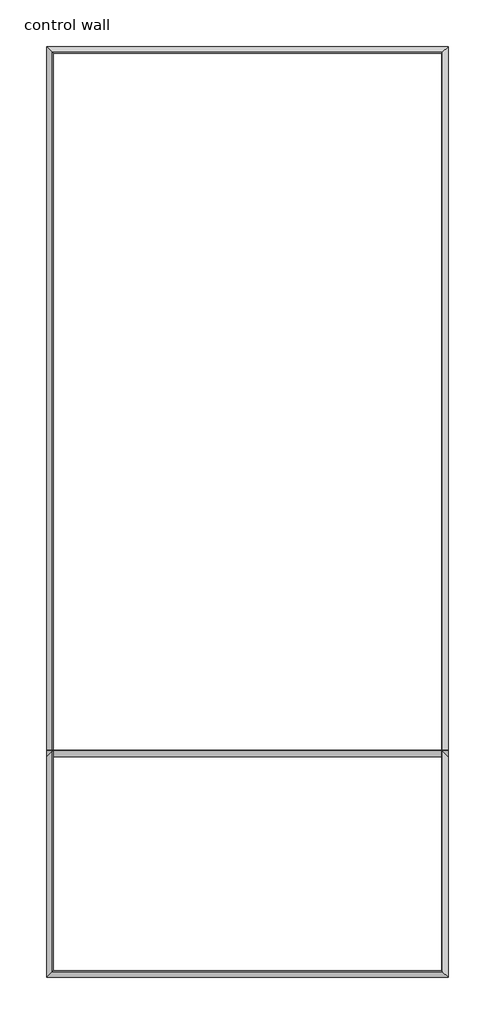
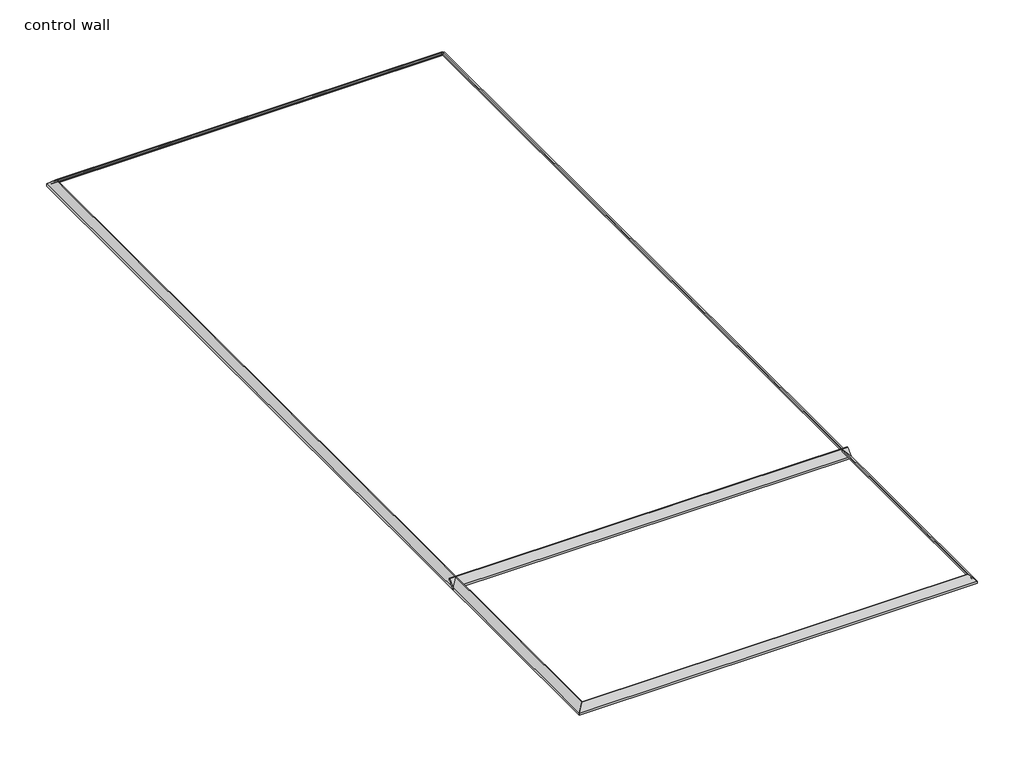
# One storey: 5 proxies.
"""IFC4 building model written with IfcOpenShell, lengths in millimetres."""

from ifc_helpers import new_model, si_unit, point, frame, frame_2d, origin, place, context, project, spatial, polyline, circle_curve, ellipse_curve, trimmed, segment, composite_curve, outline, extrude, element, save
from ifc_brep_helpers import plane_surface, cylinder_surface, revolved_surface, advanced_brep

model = new_model("IFC4")

# Units and contexts
model_context = context("Model", 3, world=origin())
ifc_project = project(units=[si_unit("LENGTHUNIT", "METRE", prefix="MILLI")], contexts=[model_context])

# Site, building, storey
site = spatial("IfcSite", under=ifc_project)
building = spatial("IfcBuilding", under=site)
storey = spatial("IfcBuildingStorey", under=building, Name="control wall", Elevation=2133.6)

# Proxies
placement = place(None, origin())
element("IfcBuildingElementProxy", 1, Name="Wall Sweeps", at=placement, inside=storey, context=model_context, shape_type="AdvancedBrep", body=[
    advanced_brep(
    [(18970.8609174, -9431.1907094, 2982.9793892), (19035.8815283, -9496.2113202, 3048.0), (19043.9842262, -9504.3140182, 3048.0), (19043.9842262, -9504.3140182, 3028.95), (19034.3609174, -9494.6907094, 3028.95), (19013.8362376, -9474.1660296, 3008.4253202), (18993.3115577, -9453.6413497, 2987.9006403), (18993.3115577, -9453.6413497, 2981.5506403), (18979.8411736, -9440.1709655, 2968.0802561), (18979.8411736, -9440.1709655, 2959.1), (18970.8609174, -9431.1907094, 2959.1), (18970.8609174, -19616.2465911, 2982.9793892), (18970.8609174, -19616.2465911, 2959.1), (18979.8411736, -19607.266335, 2959.1), (18979.8411736, -19607.266335, 2968.0802561), (18993.3115577, -19593.7959508, 2981.5506403), (18993.3115577, -19593.7959508, 2987.9006403), (19013.8362376, -19573.271271, 3008.4253202), (19034.3609174, -19552.7465911, 3028.95), (19043.9842262, -19543.1232823, 3028.95), (19043.9842262, -19543.1232823, 3048.0), (19035.8815283, -19551.2259803, 3048.0)],
    [
        (0, 1),
        (1, 2),
        (2, 3),
        (3, 4),
        (4, 5, ellipse_curve(frame((19034.3609174, -9494.6907094, 3008.4253202), z_axis=(-0.7071067811865493, -0.7071067811865458, 0.0), x_axis=(0.7071067811865459, -0.7071067811865492, 0.0)), 29.0262806, 20.5246798)),
        (5, 6, ellipse_curve(frame((18993.3115577, -9453.6413497, 3008.4253202), z_axis=(0.7071067811865493, 0.7071067811865458, 0.0), x_axis=(-0.7071067811865459, 0.7071067811865492, 0.0)), 29.0262806, 20.5246798)),
        (6, 7),
        (7, 8, ellipse_curve(frame((18993.3115577, -9453.6413497, 2968.0802561), z_axis=(-0.7071067811865493, -0.7071067811865458, 0.0), x_axis=(0.7071067811865459, -0.7071067811865492, 0.0)), 19.05, 13.4703842)),
        (8, 9),
        (9, 10),
        (10, 0),
        (11, 12),
        (12, 13),
        (13, 14),
        (14, 15, ellipse_curve(frame((18993.3115577, -19593.7959508, 2968.0802561), z_axis=(-0.7071067811865476, 0.7071067811865476, 0.0), x_axis=(-0.7071067811865477, -0.7071067811865474, 0.0)), 19.05, 13.4703842)),
        (15, 16),
        (16, 17, ellipse_curve(frame((18993.3115577, -19593.7959508, 3008.4253202), z_axis=(0.7071067811865476, -0.7071067811865476, 0.0), x_axis=(0.7071067811865477, 0.7071067811865474, 0.0)), 29.0262806, 20.5246798)),
        (17, 18, ellipse_curve(frame((19034.3609174, -19552.7465911, 3008.4253202), z_axis=(-0.7071067811865476, 0.7071067811865476, 0.0), x_axis=(-0.7071067811865477, -0.7071067811865474, 0.0)), 29.0262806, 20.5246798)),
        (18, 19),
        (19, 20),
        (20, 21),
        (21, 11),
        (0, 11),
        (21, 1),
        (20, 2),
        (19, 3),
        (18, 4),
        (17, 5),
        (16, 6),
        (15, 7),
        (14, 8),
        (13, 9),
        (12, 10),
    ],
    [
        plane_surface(frame((18970.8609174, -9431.1907094, 2654.3), z_axis=(0.7071067811865493, 0.7071067811865458, 0.0), x_axis=(0.7071067811865458, -0.7071067811865493, 0.0))),
        plane_surface(frame((18970.8609174, -19616.2465911, 2654.3), z_axis=(0.7071067811865476, -0.7071067811865476, 0.0), x_axis=(0.7071067811865476, 0.7071067811865476, 0.0))),
        plane_surface(frame((18970.8609174, -9431.1907094, 2982.9793892), z_axis=(-0.707106781186547, 0.0, 0.707106781186548), x_axis=(0.0, -1.0, 0.0))),
        plane_surface(frame((19035.8815283, -9496.2113202, 3048.0), z_axis=(0.0, 0.0, 1.0), x_axis=(0.0, -1.0, 0.0))),
        plane_surface(frame((19043.9842262, -9504.3140182, 3048.0), z_axis=(1.0, 0.0, 0.0), x_axis=(0.0, -1.0, 0.0))),
        plane_surface(frame((19043.9842262, -9504.3140182, 3028.95), z_axis=(0.0, 0.0, -1.0), x_axis=(0.0, -1.0, 0.0))),
        revolved_surface(polyline([(19054.885597200002, -19573.271271, 3008.4253202), (19054.885597200002, -9474.166029555116, 3008.4253202)]), (19034.3609174, -9431.1907094, 3008.4253202), (0.0, -1.0, 0.0)),
        cylinder_surface(frame((18993.3115577, -9431.1907094, 3008.4253202), z_axis=(0.0, 1.0, 0.0), x_axis=(1.0, 0.0, 0.0)), 20.5246798),
        plane_surface(frame((18993.3115577, -9453.6413497, 2987.9006403), z_axis=(1.0, 0.0, 0.0), x_axis=(0.0, -1.0, 0.0))),
        revolved_surface(polyline([(19006.7819419, -19607.266335, 2968.0802561), (19006.7819419, -9440.1709655, 2968.0802561)]), (18993.3115577, -9431.1907094, 2968.0802561), (0.0, -1.0, 0.0)),
        plane_surface(frame((18979.8411736, -9440.1709655, 2968.0802561), z_axis=(1.0, 0.0, 0.0), x_axis=(0.0, -1.0, 0.0))),
        plane_surface(frame((18979.8411736, -9440.1709655, 2959.1), z_axis=(0.0, 0.0, -1.0), x_axis=(0.0, -1.0, 0.0))),
        plane_surface(frame((18970.8609174, -9431.1907094, 2959.1), z_axis=(-1.0, 0.0, 0.0), x_axis=(0.0, -1.0, 0.0))),
    ],
    [
        (0, [[1, 2, 3, 4, 5, 6, 7, 8, 9, 10, 11]]),
        (1, [[12, 13, 14, 15, 16, 17, 18, 19, 20, 21, 22]]),
        (2, [[-1, 23, -22, 24]]),
        (3, [[-2, -24, -21, 25]]),
        (4, [[-3, -25, -20, 26]]),
        (5, [[-4, -26, -19, 27]]),
        (6, [[-5, -27, -18, 28]]),
        (7, [[-6, -28, -17, 29]]),
        (8, [[-7, -29, -16, 30]]),
        (9, [[-8, -30, -15, 31]]),
        (10, [[-9, -31, -14, 32]]),
        (11, [[-10, -32, -13, 33]]),
        (12, [[-11, -33, -12, -23]]),
    ],
),
])
element("IfcBuildingElementProxy", 2, Name="Wall Sweeps", at=placement, inside=storey, context=model_context, shape_type="AdvancedBrep", body=[
    advanced_brep(
    [(23365.2169679, -9431.1907094, 2982.9793892), (23300.1963571, -9496.2113202, 3048.0), (23292.0936591, -9504.3140182, 3048.0), (23292.0936591, -9504.3140182, 3028.95), (23301.7169679, -9494.6907094, 3028.95), (23322.2416478, -9474.1660296, 3008.4253202), (23342.7663276, -9453.6413497, 2987.9006403), (23342.7663276, -9453.6413497, 2981.5506403), (23356.2367118, -9440.1709655, 2968.0802561), (23356.2367118, -9440.1709655, 2959.1), (23365.2169679, -9431.1907094, 2959.1), (18970.8609174, -9431.1907094, 2982.9793892), (18970.8609174, -9431.1907094, 2959.1), (18979.8411736, -9440.1709655, 2959.1), (18979.8411736, -9440.1709655, 2968.0802561), (18993.3115577, -9453.6413497, 2981.5506403), (18993.3115577, -9453.6413497, 2987.9006403), (19013.8362376, -9474.1660296, 3008.4253202), (19034.3609174, -9494.6907094, 3028.95), (19043.9842262, -9504.3140182, 3028.95), (19043.9842262, -9504.3140182, 3048.0), (19035.8815283, -9496.2113202, 3048.0)],
    [
        (0, 1),
        (1, 2),
        (2, 3),
        (3, 4),
        (4, 5, ellipse_curve(frame((23301.7169679, -9494.6907094, 3008.4253202), z_axis=(-0.707106781186544, 0.7071067811865511, 0.0), x_axis=(-0.707106781186551, -0.707106781186544, 0.0)), 29.0262806, 20.5246798)),
        (5, 6, ellipse_curve(frame((23342.7663276, -9453.6413497, 3008.4253202), z_axis=(0.707106781186544, -0.7071067811865511, 0.0), x_axis=(0.707106781186551, 0.707106781186544, 0.0)), 29.0262806, 20.5246798)),
        (6, 7),
        (7, 8, ellipse_curve(frame((23342.7663276, -9453.6413497, 2968.0802561), z_axis=(-0.707106781186544, 0.7071067811865511, 0.0), x_axis=(-0.707106781186551, -0.707106781186544, 0.0)), 19.05, 13.4703842)),
        (8, 9),
        (9, 10),
        (10, 0),
        (11, 12),
        (12, 13),
        (13, 14),
        (14, 15, ellipse_curve(frame((18993.3115577, -9453.6413497, 2968.0802561), z_axis=(0.7071067811865493, 0.7071067811865458, 0.0), x_axis=(-0.7071067811865456, 0.7071067811865493, 0.0)), 19.05, 13.4703842)),
        (15, 16),
        (16, 17, ellipse_curve(frame((18993.3115577, -9453.6413497, 3008.4253202), z_axis=(-0.7071067811865493, -0.7071067811865458, 0.0), x_axis=(0.7071067811865456, -0.7071067811865493, 0.0)), 29.0262806, 20.5246798)),
        (17, 18, ellipse_curve(frame((19034.3609174, -9494.6907094, 3008.4253202), z_axis=(0.7071067811865493, 0.7071067811865458, 0.0), x_axis=(-0.7071067811865456, 0.7071067811865493, 0.0)), 29.0262806, 20.5246798)),
        (18, 19),
        (19, 20),
        (20, 21),
        (21, 11),
        (0, 11),
        (21, 1),
        (20, 2),
        (19, 3),
        (18, 4),
        (17, 5),
        (16, 6),
        (15, 7),
        (14, 8),
        (13, 9),
        (12, 10),
    ],
    [
        plane_surface(frame((23365.2169679, -9431.1907094, 2654.3), z_axis=(0.707106781186544, -0.7071067811865511, 0.0), x_axis=(-0.7071067811865511, -0.707106781186544, 0.0))),
        plane_surface(frame((18970.8609174, -9431.1907094, 2654.3), z_axis=(-0.7071067811865493, -0.7071067811865458, 0.0), x_axis=(0.7071067811865458, -0.7071067811865493, 0.0))),
        plane_surface(frame((23365.2169679, -9431.1907094, 2982.9793892), z_axis=(0.0, 0.707106781186547, 0.707106781186548), x_axis=(-1.0, 0.0, 0.0))),
        plane_surface(frame((23300.1963571, -9496.2113202, 3048.0), z_axis=(0.0, 0.0, 1.0), x_axis=(-1.0, 0.0, 0.0))),
        plane_surface(frame((23292.0936591, -9504.3140182, 3048.0), z_axis=(0.0, -1.0, 0.0), x_axis=(-1.0, 0.0, 0.0))),
        plane_surface(frame((23292.0936591, -9504.3140182, 3028.95), z_axis=(0.0, 0.0, -1.0), x_axis=(-1.0, 0.0, 0.0))),
        revolved_surface(polyline([(19013.83623755512, -9515.2153892, 3008.4253202), (23322.2416478, -9515.2153892, 3008.4253202)]), (23365.2169679, -9494.6907094, 3008.4253202), (-1.0, 0.0, 0.0)),
        cylinder_surface(frame((23365.2169679, -9453.6413497, 3008.4253202), z_axis=(1.0, 0.0, 0.0), x_axis=(0.0, -1.0, 0.0)), 20.5246798),
        plane_surface(frame((23342.7663276, -9453.6413497, 2987.9006403), z_axis=(0.0, -1.0, 0.0), x_axis=(-1.0, 0.0, 0.0))),
        revolved_surface(polyline([(18979.841173518394, -9467.1117339, 2968.0802561), (23356.2367118, -9467.1117339, 2968.0802561)]), (23365.2169679, -9453.6413497, 2968.0802561), (-1.0, 0.0, 0.0)),
        plane_surface(frame((23356.2367118, -9440.1709655, 2968.0802561), z_axis=(0.0, -1.0, 0.0), x_axis=(-1.0, 0.0, 0.0))),
        plane_surface(frame((23356.2367118, -9440.1709655, 2959.1), z_axis=(0.0, 0.0, -1.0), x_axis=(-1.0, 0.0, 0.0))),
        plane_surface(frame((23365.2169679, -9431.1907094, 2959.1), z_axis=(0.0, 1.0, 0.0), x_axis=(-1.0, 0.0, 0.0))),
    ],
    [
        (0, [[1, 2, 3, 4, 5, 6, 7, 8, 9, 10, 11]]),
        (1, [[12, 13, 14, 15, 16, 17, 18, 19, 20, 21, 22]]),
        (2, [[-1, 23, -22, 24]]),
        (3, [[-2, -24, -21, 25]]),
        (4, [[-3, -25, -20, 26]]),
        (5, [[-4, -26, -19, 27]]),
        (6, [[-5, -27, -18, 28]]),
        (7, [[-6, -28, -17, 29]]),
        (8, [[-7, -29, -16, 30]]),
        (9, [[-8, -30, -15, 31]]),
        (10, [[-9, -31, -14, 32]]),
        (11, [[-10, -32, -13, 33]]),
        (12, [[-11, -33, -12, -23]]),
    ],
),
])
element("IfcBuildingElementProxy", 3, Name="Wall Sweeps", at=placement, inside=storey, context=model_context, shape_type="AdvancedBrep", body=[
    advanced_brep(
    [(23365.2169679, -19616.2465911, 2982.9793892), (23300.1963571, -19551.2259803, 3048.0), (23292.0936591, -19543.1232823, 3048.0), (23292.0936591, -19543.1232823, 3028.95), (23301.7169679, -19552.7465911, 3028.95), (23322.2416478, -19573.271271, 3008.4253202), (23342.7663276, -19593.7959508, 2987.9006403), (23342.7663276, -19593.7959508, 2981.5506403), (23356.2367118, -19607.266335, 2968.0802561), (23356.2367118, -19607.266335, 2959.1), (23365.2169679, -19616.2465911, 2959.1), (23365.2169679, -9431.1907094, 2982.9793892), (23365.2169679, -9431.1907094, 2959.1), (23356.2367118, -9440.1709655, 2959.1), (23356.2367118, -9440.1709655, 2968.0802561), (23342.7663276, -9453.6413497, 2981.5506403), (23342.7663276, -9453.6413497, 2987.9006403), (23322.2416478, -9474.1660296, 3008.4253202), (23301.7169679, -9494.6907094, 3028.95), (23292.0936591, -9504.3140182, 3028.95), (23292.0936591, -9504.3140182, 3048.0), (23300.1963571, -9496.2113202, 3048.0)],
    [
        (0, 1),
        (1, 2),
        (2, 3),
        (3, 4),
        (4, 5, ellipse_curve(frame((23301.7169679, -19552.7465911, 3008.4253202), z_axis=(0.707106781186544, 0.7071067811865511, 0.0), x_axis=(-0.7071067811865511, 0.7071067811865438, 0.0)), 29.0262806, 20.5246798)),
        (5, 6, ellipse_curve(frame((23342.7663276, -19593.7959508, 3008.4253202), z_axis=(-0.707106781186544, -0.7071067811865511, 0.0), x_axis=(0.7071067811865511, -0.7071067811865438, 0.0)), 29.0262806, 20.5246798)),
        (6, 7),
        (7, 8, ellipse_curve(frame((23342.7663276, -19593.7959508, 2968.0802561), z_axis=(0.707106781186544, 0.7071067811865511, 0.0), x_axis=(-0.7071067811865511, 0.7071067811865438, 0.0)), 19.05, 13.4703842)),
        (8, 9),
        (9, 10),
        (10, 0),
        (11, 12),
        (12, 13),
        (13, 14),
        (14, 15, ellipse_curve(frame((23342.7663276, -9453.6413497, 2968.0802561), z_axis=(0.707106781186544, -0.7071067811865511, 0.0), x_axis=(0.7071067811865512, 0.7071067811865438, 0.0)), 19.05, 13.4703842)),
        (15, 16),
        (16, 17, ellipse_curve(frame((23342.7663276, -9453.6413497, 3008.4253202), z_axis=(-0.707106781186544, 0.7071067811865511, 0.0), x_axis=(-0.7071067811865512, -0.7071067811865438, 0.0)), 29.0262806, 20.5246798)),
        (17, 18, ellipse_curve(frame((23301.7169679, -9494.6907094, 3008.4253202), z_axis=(0.707106781186544, -0.7071067811865511, 0.0), x_axis=(0.7071067811865512, 0.7071067811865438, 0.0)), 29.0262806, 20.5246798)),
        (18, 19),
        (19, 20),
        (20, 21),
        (21, 11),
        (0, 11),
        (21, 1),
        (20, 2),
        (19, 3),
        (18, 4),
        (17, 5),
        (16, 6),
        (15, 7),
        (14, 8),
        (13, 9),
        (12, 10),
    ],
    [
        plane_surface(frame((23365.2169679, -19616.2465911, 2654.3), z_axis=(-0.707106781186544, -0.7071067811865511, 0.0), x_axis=(-0.7071067811865511, 0.707106781186544, 0.0))),
        plane_surface(frame((23365.2169679, -9431.1907094, 2654.3), z_axis=(-0.707106781186544, 0.7071067811865511, 0.0), x_axis=(-0.7071067811865511, -0.707106781186544, 0.0))),
        plane_surface(frame((23365.2169679, -19616.2465911, 2982.9793892), z_axis=(0.707106781186547, 0.0, 0.707106781186548), x_axis=(0.0, 1.0, 0.0))),
        plane_surface(frame((23300.1963571, -19551.2259803, 3048.0), z_axis=(0.0, 0.0, 1.0), x_axis=(0.0, 1.0, 0.0))),
        plane_surface(frame((23292.0936591, -19543.1232823, 3048.0), z_axis=(-1.0, 0.0, 0.0), x_axis=(0.0, 1.0, 0.0))),
        plane_surface(frame((23292.0936591, -19543.1232823, 3028.95), z_axis=(0.0, 0.0, -1.0), x_axis=(0.0, 1.0, 0.0))),
        revolved_surface(polyline([(23281.1922881, -9474.166029555116, 3008.4253202), (23281.1922881, -19573.271271, 3008.4253202)]), (23301.7169679, -19616.2465911, 3008.4253202), (0.0, 1.0, 0.0)),
        cylinder_surface(frame((23342.7663276, -19616.2465911, 3008.4253202), z_axis=(0.0, -1.0, 0.0), x_axis=(-1.0, 0.0, 0.0)), 20.5246798),
        plane_surface(frame((23342.7663276, -19593.7959508, 2987.9006403), z_axis=(-1.0, 0.0, 0.0), x_axis=(0.0, 1.0, 0.0))),
        revolved_surface(polyline([(23329.295943399997, -9440.1709655, 2968.0802561), (23329.295943399997, -19607.266335, 2968.0802561)]), (23342.7663276, -19616.2465911, 2968.0802561), (0.0, 1.0, 0.0)),
        plane_surface(frame((23356.2367118, -19607.266335, 2968.0802561), z_axis=(-1.0, 0.0, 0.0), x_axis=(0.0, 1.0, 0.0))),
        plane_surface(frame((23356.2367118, -19607.266335, 2959.1), z_axis=(0.0, 0.0, -1.0), x_axis=(0.0, 1.0, 0.0))),
        plane_surface(frame((23365.2169679, -19616.2465911, 2959.1), z_axis=(1.0, 0.0, 0.0), x_axis=(0.0, 1.0, 0.0))),
    ],
    [
        (0, [[1, 2, 3, 4, 5, 6, 7, 8, 9, 10, 11]]),
        (1, [[12, 13, 14, 15, 16, 17, 18, 19, 20, 21, 22]]),
        (2, [[-1, 23, -22, 24]]),
        (3, [[-2, -24, -21, 25]]),
        (4, [[-3, -25, -20, 26]]),
        (5, [[-4, -26, -19, 27]]),
        (6, [[-5, -27, -18, 28]]),
        (7, [[-6, -28, -17, 29]]),
        (8, [[-7, -29, -16, 30]]),
        (9, [[-8, -30, -15, 31]]),
        (10, [[-9, -31, -14, 32]]),
        (11, [[-10, -32, -13, 33]]),
        (12, [[-11, -33, -12, -23]]),
    ],
),
])
element("IfcBuildingElementProxy", 4, Name="Wall Sweeps", at=placement, inside=storey, context=model_context, shape_type="AdvancedBrep", body=[
    advanced_brep(
    [(18970.8609174, -19616.2465911, 2982.9793892), (19035.8815283, -19551.2259803, 3048.0), (19043.9842262, -19543.1232823, 3048.0), (19043.9842262, -19543.1232823, 3028.95), (19034.3609174, -19552.7465911, 3028.95), (19013.8362376, -19573.271271, 3008.4253202), (18993.3115577, -19593.7959508, 2987.9006403), (18993.3115577, -19593.7959508, 2981.5506403), (18979.8411736, -19607.266335, 2968.0802561), (18979.8411736, -19607.266335, 2959.1), (18970.8609174, -19616.2465911, 2959.1), (23365.2169679, -19616.2465911, 2982.9793892), (23365.2169679, -19616.2465911, 2959.1), (23356.2367118, -19607.266335, 2959.1), (23356.2367118, -19607.266335, 2968.0802561), (23342.7663276, -19593.7959508, 2981.5506403), (23342.7663276, -19593.7959508, 2987.9006403), (23322.2416478, -19573.271271, 3008.4253202), (23301.7169679, -19552.7465911, 3028.95), (23292.0936591, -19543.1232823, 3028.95), (23292.0936591, -19543.1232823, 3048.0), (23300.1963571, -19551.2259803, 3048.0)],
    [
        (0, 1),
        (1, 2),
        (2, 3),
        (3, 4),
        (4, 5, ellipse_curve(frame((19034.3609174, -19552.7465911, 3008.4253202), z_axis=(0.7071067811865476, -0.7071067811865476, 0.0), x_axis=(0.7071067811865475, 0.7071067811865477, 0.0)), 29.0262806, 20.5246798)),
        (5, 6, ellipse_curve(frame((18993.3115577, -19593.7959508, 3008.4253202), z_axis=(-0.7071067811865476, 0.7071067811865476, 0.0), x_axis=(-0.7071067811865475, -0.7071067811865477, 0.0)), 29.0262806, 20.5246798)),
        (6, 7),
        (7, 8, ellipse_curve(frame((18993.3115577, -19593.7959508, 2968.0802561), z_axis=(0.7071067811865476, -0.7071067811865476, 0.0), x_axis=(0.7071067811865475, 0.7071067811865477, 0.0)), 19.05, 13.4703842)),
        (8, 9),
        (9, 10),
        (10, 0),
        (11, 12),
        (12, 13),
        (13, 14),
        (14, 15, ellipse_curve(frame((23342.7663276, -19593.7959508, 2968.0802561), z_axis=(-0.707106781186544, -0.7071067811865511, 0.0), x_axis=(0.707106781186551, -0.707106781186544, 0.0)), 19.05, 13.4703842)),
        (15, 16),
        (16, 17, ellipse_curve(frame((23342.7663276, -19593.7959508, 3008.4253202), z_axis=(0.707106781186544, 0.7071067811865511, 0.0), x_axis=(-0.707106781186551, 0.707106781186544, 0.0)), 29.0262806, 20.5246798)),
        (17, 18, ellipse_curve(frame((23301.7169679, -19552.7465911, 3008.4253202), z_axis=(-0.707106781186544, -0.7071067811865511, 0.0), x_axis=(0.707106781186551, -0.707106781186544, 0.0)), 29.0262806, 20.5246798)),
        (18, 19),
        (19, 20),
        (20, 21),
        (21, 11),
        (0, 11),
        (21, 1),
        (20, 2),
        (19, 3),
        (18, 4),
        (17, 5),
        (16, 6),
        (15, 7),
        (14, 8),
        (13, 9),
        (12, 10),
    ],
    [
        plane_surface(frame((18970.8609174, -19616.2465911, 2654.3), z_axis=(-0.7071067811865476, 0.7071067811865476, 0.0), x_axis=(0.7071067811865476, 0.7071067811865476, 0.0))),
        plane_surface(frame((23365.2169679, -19616.2465911, 2654.3), z_axis=(0.707106781186544, 0.7071067811865511, 0.0), x_axis=(-0.7071067811865511, 0.707106781186544, 0.0))),
        plane_surface(frame((18970.8609174, -19616.2465911, 2982.9793892), z_axis=(0.0, -0.707106781186547, 0.707106781186548), x_axis=(1.0, 0.0, 0.0))),
        plane_surface(frame((19035.8815283, -19551.2259803, 3048.0), z_axis=(0.0, 0.0, 1.0), x_axis=(1.0, 0.0, 0.0))),
        plane_surface(frame((19043.9842262, -19543.1232823, 3048.0), z_axis=(0.0, 1.0, 0.0), x_axis=(1.0, 0.0, 0.0))),
        plane_surface(frame((19043.9842262, -19543.1232823, 3028.95), z_axis=(0.0, 0.0, -1.0), x_axis=(1.0, 0.0, 0.0))),
        revolved_surface(polyline([(23322.2416478, -19532.2219113, 3008.4253202), (19013.83623755512, -19532.2219113, 3008.4253202)]), (18970.8609174, -19552.7465911, 3008.4253202), (1.0, 0.0, 0.0)),
        cylinder_surface(frame((18970.8609174, -19593.7959508, 3008.4253202), z_axis=(-1.0, 0.0, 0.0), x_axis=(0.0, 1.0, 0.0)), 20.5246798),
        plane_surface(frame((18993.3115577, -19593.7959508, 2987.9006403), z_axis=(0.0, 1.0, 0.0), x_axis=(1.0, 0.0, 0.0))),
        revolved_surface(polyline([(23356.2367118, -19580.325566599997, 2968.0802561), (18979.841173518394, -19580.325566599997, 2968.0802561)]), (18970.8609174, -19593.7959508, 2968.0802561), (1.0, 0.0, 0.0)),
        plane_surface(frame((18979.8411736, -19607.266335, 2968.0802561), z_axis=(0.0, 1.0, 0.0), x_axis=(1.0, 0.0, 0.0))),
        plane_surface(frame((18979.8411736, -19607.266335, 2959.1), z_axis=(0.0, 0.0, -1.0), x_axis=(1.0, 0.0, 0.0))),
        plane_surface(frame((18970.8609174, -19616.2465911, 2959.1), z_axis=(0.0, -1.0, 0.0), x_axis=(1.0, 0.0, 0.0))),
    ],
    [
        (0, [[1, 2, 3, 4, 5, 6, 7, 8, 9, 10, 11]]),
        (1, [[12, 13, 14, 15, 16, 17, 18, 19, 20, 21, 22]]),
        (2, [[-1, 23, -22, 24]]),
        (3, [[-2, -24, -21, 25]]),
        (4, [[-3, -25, -20, 26]]),
        (5, [[-4, -26, -19, 27]]),
        (6, [[-5, -27, -18, 28]]),
        (7, [[-6, -28, -17, 29]]),
        (8, [[-7, -29, -16, 30]]),
        (9, [[-8, -30, -15, 31]]),
        (10, [[-9, -31, -14, 32]]),
        (11, [[-10, -32, -13, 33]]),
        (12, [[-11, -33, -12, -23]]),
    ],
),
])
element("IfcBuildingElementProxy", 5, Name="Wall Sweeps", at=placement, inside=storey, context=model_context, shape_type="SweptSolid", body=[
    extrude(outline(composite_curve([segment(polyline([(-17203.2465911, 2982.9793892), (-17138.2259803, 3048.0), (-17130.1232823, 3048.0), (-17130.1232823, 3028.95), (-17139.7465911, 3028.95)]), True, "CONTINUOUS"), segment(trimmed(circle_curve(frame_2d((-17139.7465911, 3008.4253202)), 20.5246798), [point((-17139.7465911, 3028.95))], [point((-17160.271271, 3008.4253202))], True, "CARTESIAN"), True, "CONTINUOUS"), segment(trimmed(circle_curve(frame_2d((-17180.7959508, 3008.4253202)), 20.5246798), [point((-17160.271271, 3008.4253202))], [point((-17180.7959508, 2987.9006403))], False, "CARTESIAN"), True, "CONTINUOUS"), segment(polyline([(-17180.7959508, 2987.9006403), (-17180.7959508, 2981.5506403)]), True, "CONTINUOUS"), segment(trimmed(circle_curve(frame_2d((-17180.7959508, 2968.0802561)), 13.4703842), [point((-17180.7959508, 2981.5506403))], [point((-17194.266335, 2968.0802561))], True, "CARTESIAN"), True, "CONTINUOUS"), segment(polyline([(-17194.266335, 2968.0802561), (-17194.266335, 2959.1), (-17203.2465911, 2959.1), (-17203.2465911, 2982.9793892)]), True, "CONTINUOUS")], self_intersect=False)), frame((18970.8609174, 0.0, 0.0), z_axis=(1.0, 0.0, 0.0), x_axis=(0.0, 1.0, 0.0)), (0.0, 0.0, 1.0), 4394.3560505),
])

save(model, "model.ifc")
